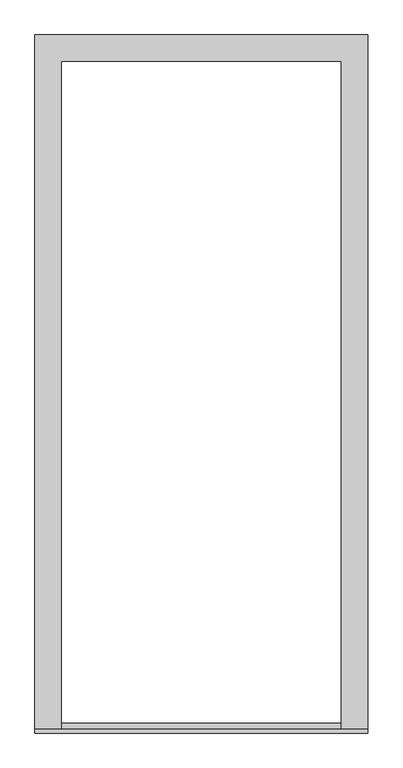
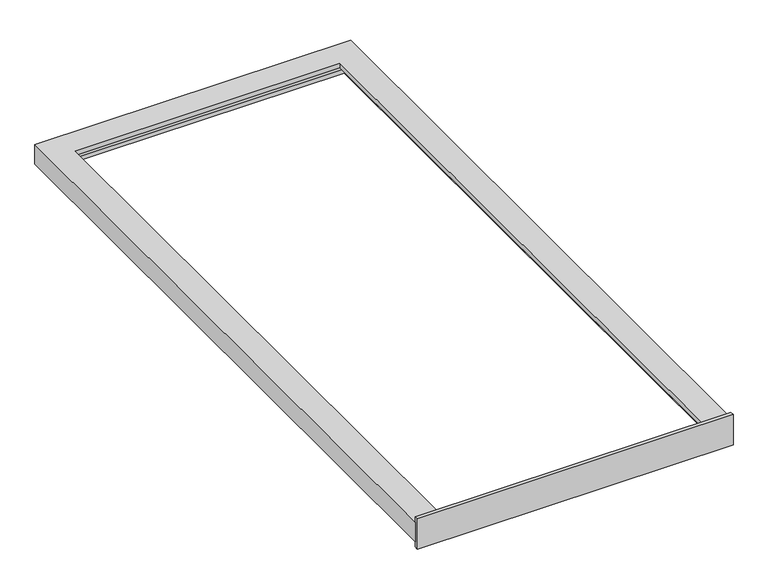
"""IFC4 building model written with IfcOpenShell, lengths in millimetres: proxy geometry."""

from ifc_helpers import new_model, si_unit, frame, origin, place, context, project, spatial, polyline, outline, extrude, faceted_brep, source, transform, mapped, element, save


def generic_models_df0edaf8(model_context):
    return source(origin(), model_context, "Body", "SolidModel", [
        faceted_brep([(0.0, 2170.0, 0.0), (1040.0, 2170.0, 0.0), (1040.0, 2170.0, -68.0), (0.0, 2170.0, -68.0), (1040.0, 0.0, -68.0), (1040.0, 0.0, 0.0), (957.0, 0.0, 0.0), (957.0, 0.0, -16.0), (972.0, 0.0, -16.0), (972.0, 0.0, -37.0), (992.0, 0.0, -37.0), (992.0, 0.0, -68.0), (992.0, 2122.0, -68.0), (48.0, 2122.0, -68.0), (48.0, 0.0, -68.0), (0.0, 0.0, -68.0), (972.0, 2102.0, -16.0), (972.0, 2102.0, -37.0), (957.0, 2087.0, -16.0), (83.0, 2087.0, -16.0), (83.0, 0.0, -16.0), (68.0, 0.0, -16.0), (68.0, 2102.0, -16.0), (957.0, 2087.0, 0.0), (0.0, 0.0, 0.0), (83.0, 0.0, 0.0), (83.0, 2087.0, 0.0), (992.0, 2122.0, -37.0), (68.0, 2102.0, -37.0), (68.0, 0.0, -37.0), (48.0, 0.0, -37.0), (48.0, 2122.0, -37.0)], [[[0, 1, 2, 3]], [[4, 5, 6, 7, 8, 9, 10, 11]], [[4, 11, 12, 13, 14, 15, 3, 2]], [[9, 8, 16, 17]], [[8, 7, 18, 19, 20, 21, 22, 16]], [[7, 6, 23, 18]], [[6, 5, 1, 0, 24, 25, 26, 23]], [[2, 1, 5, 4]], [[11, 10, 27, 12]], [[10, 9, 17, 28, 29, 30, 31, 27]], [[3, 15, 24, 0]], [[18, 23, 26, 19]], [[17, 16, 22, 28]], [[12, 27, 31, 13]], [[15, 14, 30, 29, 21, 20, 25, 24]], [[22, 21, 29, 28]], [[25, 20, 19, 26]], [[31, 30, 14, 13]]]),
        extrude(outline(polyline([(-12.0, -86.0), (-12.0, 19.0), (0.0, 19.0), (0.0, -12.0), (18.0, -12.0), (18.0, -37.0), (0.0, -37.0), (0.0, -86.0), (-12.0, -86.0)])), frame((0.0, 0.0, 0.0), z_axis=(1.0, 0.0, 0.0), x_axis=(0.0, 1.0, 0.0)), (0.0, 0.0, 1.0), 1040.0),
    ])


if __name__ == "__main__":
    model = new_model("IFC4")
    model_context = context("Model", 3, world=origin())
    ifc_project = project(units=[si_unit("LENGTHUNIT", "METRE", prefix="MILLI")], contexts=[model_context])
    site = spatial("IfcSite", under=ifc_project)
    building = spatial("IfcBuilding", under=site)
    placement = place(None, origin())
    generic_models_shape = generic_models_df0edaf8(model_context)
    element("IfcBuildingElementProxy", 1, Name="Generic Models", at=placement, inside=building, context=model_context, shape_type="MappedRepresentation", body=[
        mapped(generic_models_shape, transform((0.0, 0.0, 0.0), x_axis=(1.0, 0.0, 0.0), y_axis=(0.0, 1.0, 0.0), z_axis=(0.0, 0.0, 1.0))),
    ])
    save(model, "model.ifc")
